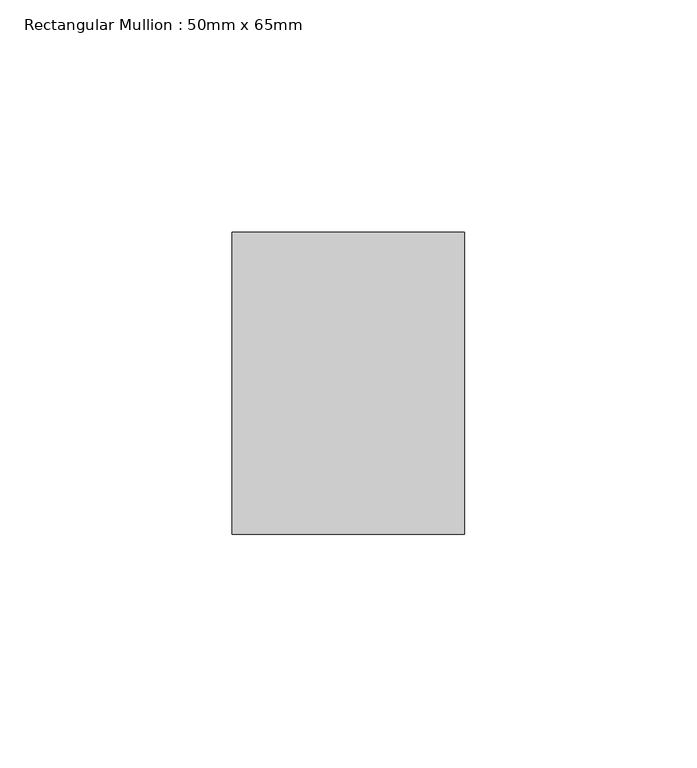
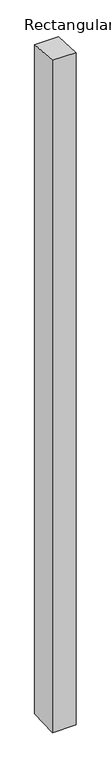
"""IFC4 building model written with IfcOpenShell, lengths in millimetres: member geometry, Rectangular Mullion : 50mm x 65mm."""

from ifc_helpers import new_model, si_unit, origin, place, context, project, spatial, faceted_brep, source, transform, mapped, element, save


def rectangular_mullion_50mm_x_65mm_92829823(model_context):
    return source(origin(), model_context, "Body", "Brep", [
        faceted_brep([(-25.0, 32.5, -2.1659765), (25.0, 32.5, -2.1659772), (25.0, 32.5, -1498.7588344), (-25.0, 32.5, -1498.7588348), (-25.0, -32.5, 2.1659772), (-25.0, -32.5, -1501.2410169), (25.0, -32.5, 2.1659765), (25.0, -32.5, -1501.2410165)], [[[0, 1, 2, 3]], [[4, 0, 3, 5]], [[6, 4, 5, 7]], [[1, 6, 7, 2]], [[1, 0, 4, 6]], [[2, 7, 5, 3]]]),
    ])


if __name__ == "__main__":
    model = new_model("IFC4")
    model_context = context("Model", 3, world=origin())
    ifc_project = project(units=[si_unit("LENGTHUNIT", "METRE", prefix="MILLI")], contexts=[model_context])
    site = spatial("IfcSite", under=ifc_project)
    building = spatial("IfcBuilding", under=site)
    placement = place(None, origin())
    rectangular_mullion_50mm_x_65mm_shape = rectangular_mullion_50mm_x_65mm_92829823(model_context)
    element("IfcMember", 1, ObjectType="Rectangular Mullion : 50mm x 65mm", at=placement, inside=building, context=model_context, shape_type="MappedRepresentation", body=[
        mapped(rectangular_mullion_50mm_x_65mm_shape, transform((0.0, 0.0, 0.0), x_axis=(1.0, 0.0, 0.0), y_axis=(0.0, 1.0, 0.0), z_axis=(0.0, 0.0, 1.0))),
    ])
    save(model, "model.ifc")
